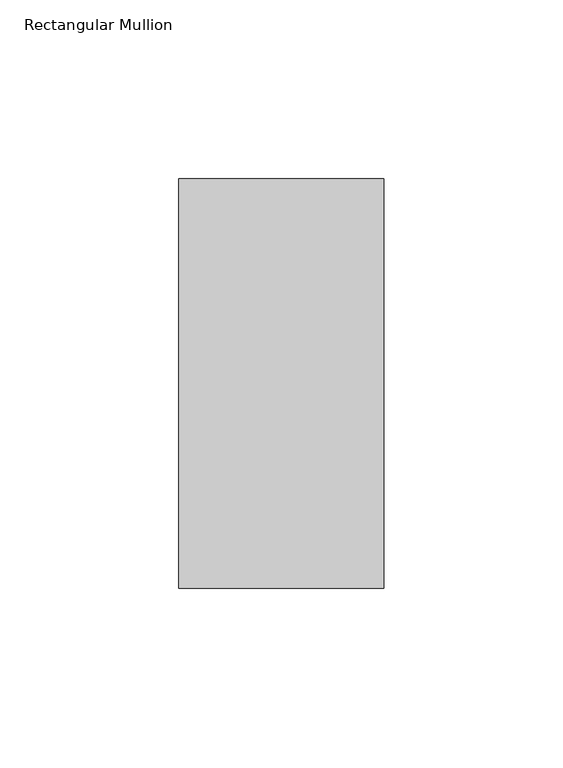
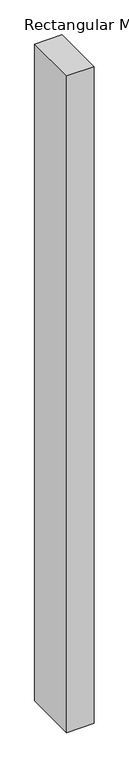
"""IFC4 building model written with IfcOpenShell, lengths in millimetres: member geometry, Rectangular Mullion."""

from ifc_helpers import new_model, si_unit, frame, origin, place, context, project, spatial, polyline, outline, extrude, source, transform, mapped, element, save


def rectangular_mullion_3aa4c174(model_context):
    return source(origin(), model_context, "Body", "SweptSolid", [
        extrude(outline(polyline([(-57.15, -57.15), (-57.15, 57.15), (0.0, 57.15), (0.0, -57.15), (-57.15, -57.15)])), frame((0.0, 0.0, -1439.8625), z_axis=(0.0, 0.0, 1.0), x_axis=(1.0, 0.0, 0.0)), (0.0, 0.0, 1.0), 1439.8625),
    ])


if __name__ == "__main__":
    model = new_model("IFC4")
    model_context = context("Model", 3, world=origin())
    ifc_project = project(units=[si_unit("LENGTHUNIT", "METRE", prefix="MILLI")], contexts=[model_context])
    site = spatial("IfcSite", under=ifc_project)
    building = spatial("IfcBuilding", under=site)
    placement = place(None, origin())
    rectangular_mullion_shape = rectangular_mullion_3aa4c174(model_context)
    element("IfcMember", 1, ObjectType="Rectangular Mullion", at=placement, inside=building, context=model_context, shape_type="MappedRepresentation", body=[
        mapped(rectangular_mullion_shape, transform((0.0, 0.0, 0.0), x_axis=(1.0, 0.0, 0.0), y_axis=(0.0, 1.0, 0.0), z_axis=(0.0, 0.0, 1.0))),
    ])
    save(model, "model.ifc")
